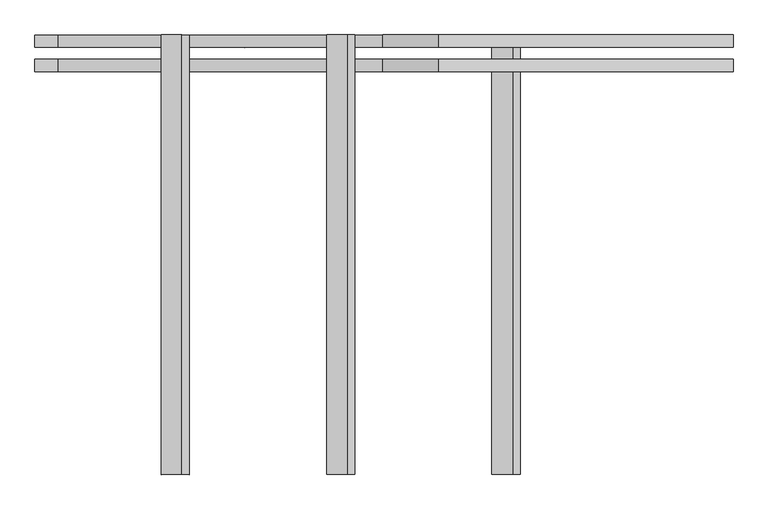
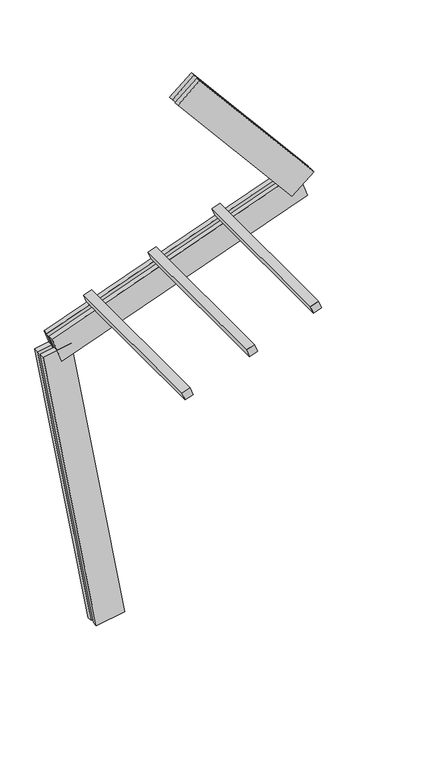
"""IFC4 building model written with IfcOpenShell, lengths in millimetres: proxy geometry."""

from ifc_helpers import new_model, si_unit, frame, origin, place, context, project, spatial, polyline, outline, extrude, source, transform, mapped, element, save


def generic_models_df2e787e(model_context):
    return source(origin(), model_context, "Body", "SweptSolid", [
        extrude(outline(polyline([(1500.0, 0.0), (1500.0, -75.0), (0.0, -75.0), (0.0, 0.0), (1500.0, 0.0)])), frame((-65.2486027, 62.5, 2938.9020788), z_axis=(-0.3420201433256682, 0.0, 0.9396926207859086), x_axis=(0.0, -1.0, 0.0)), (0.0, 0.0, 1.0), 75.0),
        extrude(outline(polyline([(1500.0, 0.0), (1500.0, -74.9999999), (0.0, -74.9999999), (0.0, 0.0), (1500.0, 0.0)])), frame((498.5669697, 62.5, 3144.1141648), z_axis=(-0.3420201433256682, 0.0, 0.9396926207859086), x_axis=(0.0, -1.0, 0.0)), (0.0, 0.0, 1.0), 75.0),
        extrude(outline(polyline([(1500.0, 0.0), (1500.0, -75.0), (0.0, -75.0), (0.0, 0.0), (1500.0, 0.0)])), frame((1062.3825422, 62.5, 3349.3262508), z_axis=(-0.3420201433256682, 0.0, 0.9396926207859086), x_axis=(0.0, -1.0, 0.0)), (0.0, 0.0, 1.0), 75.0),
        extrude(outline(polyline([(125.0, 0.0), (125.0, -250.0), (82.5, -250.0), (82.5, 0.0), (125.0, 0.0)])), frame((1596.6873927, -62.5, 3365.2788116), z_axis=(-0.6427876096865375, 0.0, 0.7660444431189797), x_axis=(0.0, 1.0, 0.0)), (0.0, 0.0, 1.0), 1560.0),
        extrude(outline(polyline([(0.0, -250.0), (0.0, 0.0), (42.5, 0.0), (42.5, -250.0), (0.0, -250.0)])), frame((1596.6873927, -62.5, 3365.2788116), z_axis=(-0.6427876096865375, 0.0, 0.7660444431189797), x_axis=(0.0, 1.0, 0.0)), (0.0, 0.0, 1.0), 1560.0),
        extrude(outline(polyline([(2300.0, -125.0), (0.0, -125.0), (0.0, -82.5), (2300.0, -82.5), (2300.0, -125.0)])), frame((1735.195466, -62.5, 3328.1656852), z_axis=(-0.3420201433256682, 0.0, 0.9396926207859086), x_axis=(-0.9396926207859086, 0.0, -0.3420201433256682)), (0.0, 0.0, 1.0), 250.0),
        extrude(outline(polyline([(0.0, 0.0), (2300.0, 0.0), (2300.0, -42.5), (0.0, -42.5), (0.0, 0.0)])), frame((1735.195466, -62.5, 3328.1656852), z_axis=(-0.3420201433256682, 0.0, 0.9396926207859086), x_axis=(-0.9396926207859086, 0.0, -0.3420201433256682)), (0.0, 0.0, 1.0), 250.0),
        extrude(outline(polyline([(-125.0, -249.9999999), (-125.0, 0.0), (-82.5, 0.0), (-82.5, -249.9999999), (-125.0, -249.9999999)])), frame((123.1009691, -62.5, 21.7060222), z_axis=(-0.17364817766693158, 0.0, 0.9848077530122079), x_axis=(0.0, -1.0, 0.0)), (0.0, 0.0, 1.0), 2700.0),
        extrude(outline(polyline([(0.0, 0.0), (0.0, -249.9999999), (-42.5, -249.9999999), (-42.5, 0.0), (0.0, 0.0)])), frame((123.1009691, -62.5, 21.7060222), z_axis=(-0.17364817766693158, 0.0, 0.9848077530122079), x_axis=(0.0, -1.0, 0.0)), (0.0, 0.0, 1.0), 2700.0),
    ])


if __name__ == "__main__":
    model = new_model("IFC4")
    model_context = context("Model", 3, world=origin())
    ifc_project = project(units=[si_unit("LENGTHUNIT", "METRE", prefix="MILLI")], contexts=[model_context])
    site = spatial("IfcSite", under=ifc_project)
    building = spatial("IfcBuilding", under=site)
    placement = place(None, origin())
    generic_models_shape = generic_models_df2e787e(model_context)
    element("IfcBuildingElementProxy", 1, Name="Generic Models", at=placement, inside=building, context=model_context, shape_type="MappedRepresentation", body=[
        mapped(generic_models_shape, transform((0.0, 0.0, 0.0), x_axis=(1.0, 0.0, 0.0), y_axis=(0.0, 1.0, 0.0), z_axis=(0.0, 0.0, 1.0))),
    ])
    save(model, "model.ifc")
